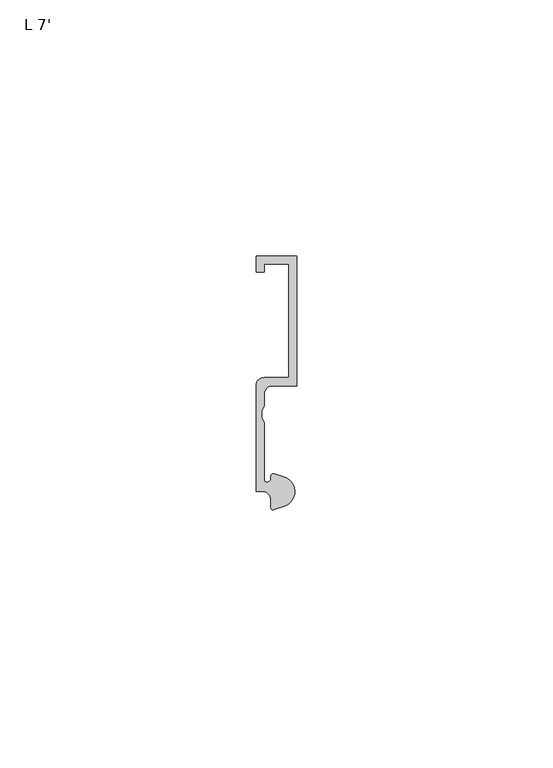
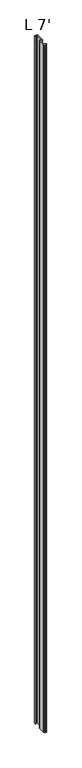
"""IFC4 building model written with IfcOpenShell, lengths in millimetres: proxy geometry, L 7'."""

import ifcopenshell
import ifcopenshell.guid

model = None  # the IFC model being written
_history = None  # IfcOwnerHistory: only IFC2X3 demands one
_inside = {}  # id of a spatial element -> (the spatial element, [elements in it])
_under = {}  # id of a project, library or spatial element -> (it, [spatial elements below it])
_declared = {}  # id of a project -> (the project, [libraries it declares])
_typed = {}  # id of a type object -> (the type object, [elements of that type])
_made_of = {}  # id of a material, layer set ... -> (it, [elements and type objects made of it])


def new_model(schema):
    """Start an empty IFC model of exactly this schema.

    Asked for "IFC4X3", IfcOpenShell would pick the latest addendum, in which some entities
    have other attributes; the version numbers below select the first issue.
    IFC2X3 requires an IfcOwnerHistory on every rooted entity: one is made here for all.
    """
    global model, _history
    if schema == "IFC4X3":
        model = ifcopenshell.file(schema_version=(4, 3, 0, 0))
    else:
        model = ifcopenshell.file(schema=schema)
    _inside.clear()
    _under.clear()
    _declared.clear()
    _typed.clear()
    _made_of.clear()
    _history = None
    if model.schema == "IFC2X3":
        org = make("IfcOrganization", Name="unknown")
        user = make(
            "IfcPersonAndOrganization",
            ThePerson=make("IfcPerson", FamilyName="unknown"),
            TheOrganization=org,
        )
        app = make(
            "IfcApplication",
            ApplicationDeveloper=org,
            Version="unknown",
            ApplicationFullName="unknown",
            ApplicationIdentifier="unknown",
        )
        _history = make(
            "IfcOwnerHistory",
            OwningUser=user,
            OwningApplication=app,
            ChangeAction="ADDED",
            CreationDate=0,
        )
    return model


def make(cls, **values):
    """One entity of the class cls with the attributes given. An attribute that is None is left unset."""
    return model.create_entity(
        cls, **{name: value for name, value in values.items() if value is not None}
    )


def rooted(cls, **values):
    """An entity with a GlobalId (a new one), such as an element, a storey or a relation."""
    return make(cls, GlobalId=ifcopenshell.guid.new(), OwnerHistory=_history, **values)


def si_unit(unit_type, name, prefix=None):
    """IfcSIUnit, for example si_unit("LENGTHUNIT", "METRE", prefix="MILLI")."""
    return make("IfcSIUnit", UnitType=unit_type, Prefix=prefix, Name=name)


def assignment(units):
    """IfcUnitAssignment: the units of a project."""
    return None if units is None else make("IfcUnitAssignment", Units=units)


def point(xyz):
    """IfcCartesianPoint."""
    return None if xyz is None else make("IfcCartesianPoint", Coordinates=xyz)


def direction(xyz):
    """IfcDirection."""
    return None if xyz is None else make("IfcDirection", DirectionRatios=xyz)


def frame(location, z_axis=None, x_axis=None):
    """IfcAxis2Placement3D, a coordinate frame: its origin and axes. An axis left out is left unset."""
    return make(
        "IfcAxis2Placement3D",
        Location=point(location),
        Axis=direction(z_axis),
        RefDirection=direction(x_axis),
    )


def frame_2d(location, x_axis=None):
    """IfcAxis2Placement2D, a coordinate frame in the plane: its origin and x axis."""
    return make(
        "IfcAxis2Placement2D", Location=point(location), RefDirection=direction(x_axis)
    )


def origin():
    """The frame at (0, 0, 0) with its axes left unset."""
    return frame((0.0, 0.0, 0.0))


def origin_with_axes():
    """The frame at (0, 0, 0) with the z axis (0, 0, 1) and the x axis (1, 0, 0) written out."""
    return frame((0.0, 0.0, 0.0), z_axis=(0.0, 0.0, 1.0), x_axis=(1.0, 0.0, 0.0))


def place(relative_to, where):
    """IfcLocalPlacement: puts the frame where relative to a parent placement (None: the world)."""
    return make(
        "IfcLocalPlacement", PlacementRelTo=relative_to, RelativePlacement=where
    )


def context(
    kind, dimensions, precision=None, world=None, true_north=None, identifier=None
):
    """IfcGeometricRepresentationContext, for example the 3D "Model" context."""
    return make(
        "IfcGeometricRepresentationContext",
        ContextIdentifier=identifier,
        ContextType=kind,
        CoordinateSpaceDimension=dimensions,
        Precision=precision,
        WorldCoordinateSystem=world,
        TrueNorth=true_north,
    )


def project(units=None, contexts=None):
    """IfcProject with its units and contexts."""
    return rooted(
        "IfcProject",
        Name="project",
        RepresentationContexts=contexts,
        UnitsInContext=assignment(units),
    )


def spatial(cls, under=None, at=None, **own):
    """A site, building, storey or space (cls), placed at a placement, below another one or the project."""
    s = rooted(cls, ObjectPlacement=at, **own)
    if under is not None:
        _under.setdefault(under.id(), (under, []))[1].append(s)
    return s


def polyline(points):
    """IfcPolyline through the points."""
    return make("IfcPolyline", Points=[point(p) for p in points])


def circle_curve(where, radius):
    """IfcCircle in the frame where."""
    return make("IfcCircle", Position=where, Radius=radius)


def trimmed(basis, trim1, trim2, sense, master):
    """IfcTrimmedCurve: the piece of a basis curve between two trims."""
    return make(
        "IfcTrimmedCurve",
        BasisCurve=basis,
        Trim1=trim1,
        Trim2=trim2,
        SenseAgreement=sense,
        MasterRepresentation=master,
    )


def segment(curve, same_sense, transition):
    """IfcCompositeCurveSegment."""
    return make(
        "IfcCompositeCurveSegment",
        Transition=transition,
        SameSense=same_sense,
        ParentCurve=curve,
    )


def composite_curve(segments, self_intersect=None):
    """IfcCompositeCurve: segments joined end to end."""
    return make("IfcCompositeCurve", Segments=segments, SelfIntersect=self_intersect)


def outline(outer, holes=None, kind="AREA"):
    """IfcArbitraryClosedProfileDef: a profile drawn as a closed curve; with holes, ...WithVoids."""
    if holes is None:
        return make("IfcArbitraryClosedProfileDef", ProfileType=kind, OuterCurve=outer)
    return make(
        "IfcArbitraryProfileDefWithVoids",
        ProfileType=kind,
        OuterCurve=outer,
        InnerCurves=holes,
    )


def extrude(swept, where, along, depth):
    """IfcExtrudedAreaSolid: the profile swept, set in the frame where, extruded along a direction by depth."""
    return make(
        "IfcExtrudedAreaSolid",
        SweptArea=swept,
        Position=where,
        ExtrudedDirection=direction(along),
        Depth=depth,
    )


def shape(context_of_items, identifier, shape_type, items):
    """IfcShapeRepresentation: the items that make up one representation, for example the "Body"."""
    return make(
        "IfcShapeRepresentation",
        ContextOfItems=context_of_items,
        RepresentationIdentifier=identifier,
        RepresentationType=shape_type,
        Items=items,
    )


def source(mapping_origin, context_of_items, identifier, shape_type, items):
    """IfcRepresentationMap: a shape defined once, which mapped items show again and again."""
    return make(
        "IfcRepresentationMap",
        MappingOrigin=mapping_origin,
        MappedRepresentation=shape(context_of_items, identifier, shape_type, items),
    )


def transform(
    local_origin,
    x_axis=None,
    y_axis=None,
    z_axis=None,
    scale=None,
    scale2=None,
    scale3=None,
    uniform=True,
):
    """IfcCartesianTransformationOperator3D, or its non-uniform kind. x_axis, y_axis, z_axis: its Axis1, 2, 3."""
    if uniform:
        return make(
            "IfcCartesianTransformationOperator3D",
            Axis1=direction(x_axis),
            Axis2=direction(y_axis),
            LocalOrigin=point(local_origin),
            Scale=scale,
            Axis3=direction(z_axis),
        )
    return make(
        "IfcCartesianTransformationOperator3DnonUniform",
        Axis1=direction(x_axis),
        Axis2=direction(y_axis),
        LocalOrigin=point(local_origin),
        Scale=scale,
        Axis3=direction(z_axis),
        Scale2=scale2,
        Scale3=scale3,
    )


def mapped(mapping_source, mapping_target):
    """IfcMappedItem: shows the shape of a source again, moved by a transform."""
    return make(
        "IfcMappedItem", MappingSource=mapping_source, MappingTarget=mapping_target
    )


def made_of(thing, what):
    """Note that an element or type object is made of a material, layer set ...; save() writes the relation."""
    if what is not None:
        _made_of.setdefault(what.id(), (what, []))[1].append(thing)
    return thing


def element(
    cls,
    number,
    at=None,
    inside=None,
    cuts=None,
    type_object=None,
    material=None,
    context=None,
    identifier="Body",
    shape_type=None,
    held_by="IfcProductDefinitionShape",
    body=None,
    shapes=None,
    **own,
):
    """One element of the class cls, such as IfcWall. Its Tag is "e" and its number.

    at: its placement. inside: the storey or other place that contains it. cuts: it is an
    opening in that element (IfcRelVoidsElement). A single representation is given by context,
    identifier, shape_type and body (its items); several are given by shapes. held_by: the class
    of the entity that holds the representations. save() writes the other relations.
    """
    e = rooted(cls, Tag="e%d" % number, ObjectPlacement=at, **own)
    if body is not None:
        shapes = [shape(context, identifier, shape_type, body)]
    if shapes is not None:
        e.Representation = make(held_by, Representations=shapes)
    if inside is not None:
        _inside.setdefault(inside.id(), (inside, []))[1].append(e)
    if cuts is not None:
        rooted(
            "IfcRelVoidsElement", RelatingBuildingElement=cuts, RelatedOpeningElement=e
        )
    if type_object is not None:
        _typed.setdefault(type_object.id(), (type_object, []))[1].append(e)
    return made_of(e, material)


def aggregate(whole, parts):
    """IfcRelAggregates: a whole, such as a stair, and the parts it consists of."""
    return rooted("IfcRelAggregates", RelatingObject=whole, RelatedObjects=parts)


def save(model, path):
    """Write the relations noted so far, then the file.

    IfcRelAggregates (storeys below a building ...), IfcRelContainedInSpatialStructure (elements
    in a storey), IfcRelDefinesByType, IfcRelAssociatesMaterial and IfcRelDeclares: one each for
    every whole, place, type object, material and project.
    """
    for whole, parts in _under.values():
        aggregate(whole, parts)
    for where, things in _inside.values():
        rooted(
            "IfcRelContainedInSpatialStructure",
            RelatedElements=things,
            RelatingStructure=where,
        )
    for kind, things in _typed.values():
        rooted("IfcRelDefinesByType", RelatedObjects=things, RelatingType=kind)
    for what, things in _made_of.values():
        rooted("IfcRelAssociatesMaterial", RelatedObjects=things, RelatingMaterial=what)
    for by, libraries in _declared.values():
        rooted("IfcRelDeclares", RelatingContext=by, RelatedDefinitions=libraries)
    model.write(path)


def l_7_54956630(model_context):
    return source(origin(), model_context, "Body", "SweptSolid", [
        extrude(outline(composite_curve([segment(polyline([(5.4099313, 0.6224223), (3.5749842, 0.0497144)]), True, "CONTINUOUS"), segment(trimmed(circle_curve(frame_2d((3.3646912, 0.4696291)), 0.4696291), [point((3.5749842, 0.0497144))], [point((2.8950622, 0.4696291))], False, "CARTESIAN"), True, "CONTINUOUS"), segment(polyline([(2.8950622, 0.4696291), (2.8950622, 2.0112392)]), True, "CONTINUOUS"), segment(trimmed(circle_curve(frame_2d((1.3075622, 2.0112392)), 1.5875), [point((2.8950622, 2.0112392))], [point((1.3075622, 3.5987392))], True, "CARTESIAN"), True, "CONTINUOUS"), segment(polyline([(1.3075622, 3.5987392), (0.0, 3.5987392), (0.0, 24.2362392)]), True, "CONTINUOUS"), segment(trimmed(circle_curve(frame_2d((1.5875, 24.2362392)), 1.5875), [point((0.0, 24.2362392))], [point((1.5875, 25.8237392))], False, "CARTESIAN"), True, "CONTINUOUS"), segment(polyline([(1.5875, 25.8237392), (6.35, 25.8237392), (6.35, 48.0300641), (1.5875, 48.0300641), (1.5875, 46.4425641), (0.0, 46.4425641), (0.0, 49.6175641), (7.9375, 49.6175641), (7.9375, 24.2134797), (3.175, 24.2134797)]), True, "CONTINUOUS"), segment(trimmed(circle_curve(frame_2d((3.175, 22.6259797)), 1.5875), [point((3.175, 24.2134797))], [point((1.5875, 22.6259797))], True, "CARTESIAN"), True, "CONTINUOUS"), segment(polyline([(1.5875, 22.6259797), (1.5875, 20.2473512), (1.0783361, 19.3299316), (1.0783361, 17.9897709), (1.5875, 17.0723512), (1.5875, 5.8847392)]), True, "CONTINUOUS"), segment(trimmed(circle_curve(frame_2d((2.0955, 5.8847392)), 0.508), [point((1.5875, 5.8847392))], [point((2.1123834, 5.3770198))], True, "CARTESIAN"), True, "CONTINUOUS"), segment(trimmed(circle_curve(frame_2d((2.1330622, 6.1387392)), 0.762), [point((2.1123834, 5.3770198))], [point((2.8720827, 6.3244611))], True, "CARTESIAN"), True, "CONTINUOUS"), segment(trimmed(circle_curve(frame_2d((3.4254762, 6.4635334)), 0.5706009), [point((2.8720827, 6.3244611))], [point((3.6135887, 7.0022347))], False, "CARTESIAN"), True, "CONTINUOUS"), segment(polyline([(3.6135887, 7.0022347), (5.4099313, 6.4415757)]), True, "CONTINUOUS"), segment(trimmed(circle_curve(frame_2d((4.5018192, 3.531999)), 3.048), [point((5.4099313, 6.4415757))], [point((7.1037699, 1.944499))], False, "CARTESIAN"), True, "CONTINUOUS"), segment(trimmed(circle_curve(frame_2d((4.5018192, 3.531999)), 3.048), [point((7.1037699, 1.944499))], [point((5.4099313, 0.6224223))], False, "CARTESIAN"), True, "CONTINUOUS")], self_intersect=False)), origin_with_axes(), (0.0, 0.0, 1.0), 2133.6),
    ])


if __name__ == "__main__":
    model = new_model("IFC4")
    model_context = context("Model", 3, world=origin())
    ifc_project = project(units=[si_unit("LENGTHUNIT", "METRE", prefix="MILLI")], contexts=[model_context])
    site = spatial("IfcSite", under=ifc_project)
    building = spatial("IfcBuilding", under=site)
    placement = place(None, origin())
    l_7_shape = l_7_54956630(model_context)
    element("IfcBuildingElementProxy", 1, Name="L 7'", ObjectType="L 7'", at=placement, inside=building, context=model_context, shape_type="MappedRepresentation", body=[
        mapped(l_7_shape, transform((0.0, 0.0, 0.0), x_axis=(1.0, 0.0, 0.0), y_axis=(0.0, 1.0, 0.0), z_axis=(0.0, 0.0, 1.0))),
    ])
    save(model, "model.ifc")
